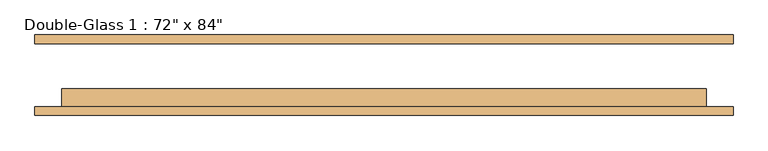
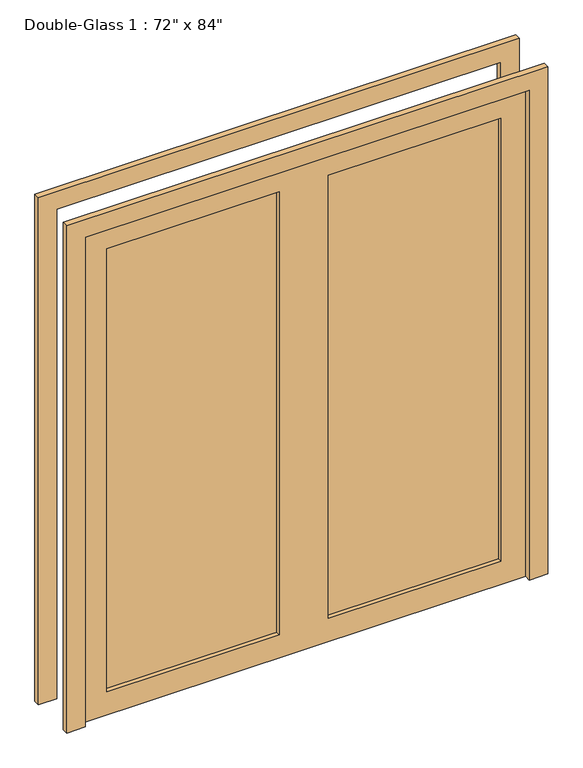
"""IFC4 building model written with IfcOpenShell, lengths in millimetres: door geometry."""

from ifc_helpers import new_model, si_unit, frame, origin, place, context, project, spatial, polyline, outline, extrude, source, transform, mapped, element, save


def door_88be62e1(model_context):
    return source(origin(), model_context, "Body", "SweptSolid", [
        extrude(outline(polyline([(0.0, 990.6), (2209.8, 990.6), (2209.8, -990.6), (0.0, -990.6), (0.0, -914.4), (2133.6, -914.4), (2133.6, 914.4), (0.0, 914.4), (0.0, 990.6)])), frame((0.0, 86.51875, 0.0), z_axis=(0.0, 1.0, 0.0), x_axis=(0.0, 0.0, 1.0)), (0.0, 0.0, 1.0), 25.4),
        extrude(outline(polyline([(2133.6, 914.4), (0.0, 914.4), (0.0, 990.6), (2209.8, 990.6), (2209.8, -990.6), (0.0, -990.6), (0.0, -914.4), (2133.6, -914.4), (2133.6, 914.4)])), frame((0.0, -116.68125, 0.0), z_axis=(0.0, 1.0, 0.0), x_axis=(0.0, 0.0, 1.0)), (0.0, 0.0, 1.0), 25.4),
        extrude(outline(polyline([(812.8, -65.88125), (812.8, -73.025), (101.6, -73.025), (101.6, -65.88125), (812.8, -65.88125)])), frame((0.0, 0.0, 101.6), z_axis=(0.0, 0.0, 1.0), x_axis=(1.0, 0.0, 0.0)), (0.0, 0.0, 1.0), 1930.4),
        extrude(outline(polyline([(-101.6, -65.88125), (-101.6, -73.025), (-812.8, -73.025), (-812.8, -65.88125), (-101.6, -65.88125)])), frame((0.0, 0.0, 101.6), z_axis=(0.0, 0.0, 1.0), x_axis=(1.0, 0.0, 0.0)), (0.0, 0.0, 1.0), 1930.4),
        extrude(outline(polyline([(2133.6, 914.4), (2133.6, -914.4), (0.0, -914.4), (0.0, 914.4), (2133.6, 914.4)]), holes=[polyline([(2032.0, -101.6), (101.6, -101.6), (101.6, -812.8), (2032.0, -812.8), (2032.0, -101.6)]), polyline([(2032.0, 812.8), (101.6, 812.8), (101.6, 101.6), (2032.0, 101.6), (2032.0, 812.8)])]), frame((0.0, -91.28125, 0.0), z_axis=(0.0, 1.0, 0.0), x_axis=(0.0, 0.0, 1.0)), (0.0, 0.0, 1.0), 50.8),
    ])


if __name__ == "__main__":
    model = new_model("IFC4")
    model_context = context("Model", 3, world=origin())
    ifc_project = project(units=[si_unit("LENGTHUNIT", "METRE", prefix="MILLI")], contexts=[model_context])
    site = spatial("IfcSite", under=ifc_project)
    building = spatial("IfcBuilding", under=site)
    placement = place(None, origin())
    door_shape = door_88be62e1(model_context)
    element("IfcDoor", 1, ObjectType="Double-Glass 1 : 72\" x 84\"", at=placement, inside=building, context=model_context, shape_type="MappedRepresentation", body=[
        mapped(door_shape, transform((0.0, 0.0, 0.0), x_axis=(1.0, 0.0, 0.0), y_axis=(0.0, 1.0, 0.0), z_axis=(0.0, 0.0, 1.0))),
    ])
    save(model, "model.ifc")
